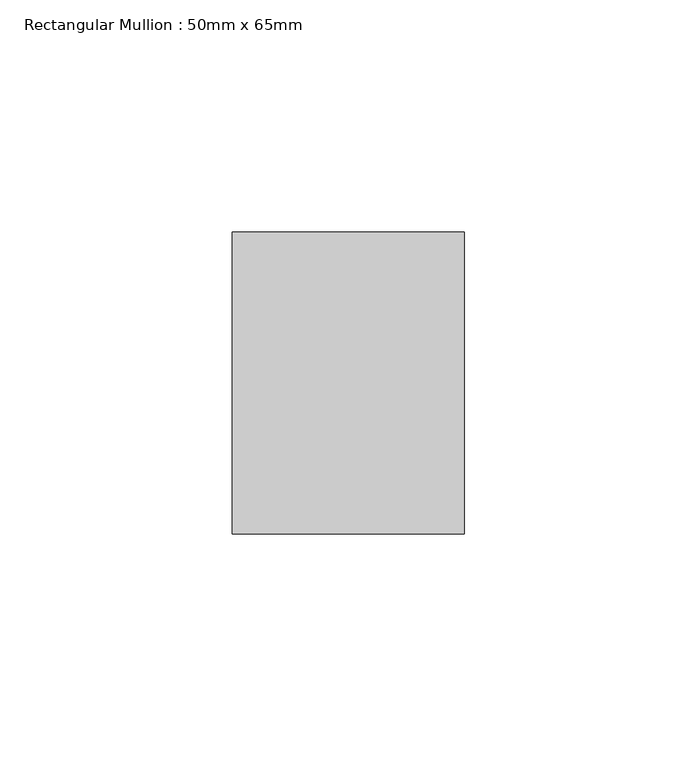
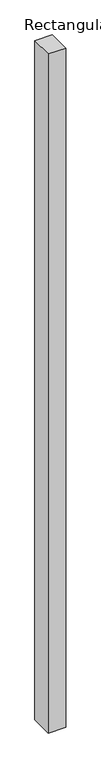
"""IFC4 building model written with IfcOpenShell, lengths in millimetres: member geometry, Rectangular Mullion : 50mm x 65mm."""

from ifc_helpers import new_model, si_unit, frame, origin, place, context, project, spatial, polyline, outline, extrude, source, transform, mapped, element, save


def rectangular_mullion_50mm_x_65mm_ea7b5efb(model_context):
    return source(origin(), model_context, "Body", "SweptSolid", [
        extrude(outline(polyline([(25.0, 32.5), (25.0, -32.5), (-25.0, -32.5), (-25.0, 32.5), (25.0, 32.5)])), frame((0.0, 0.0, -2042.0394772), z_axis=(0.0, 0.0, 1.0), x_axis=(1.0, 0.0, 0.0)), (0.0, 0.0, 1.0), 2042.0394772),
    ])


if __name__ == "__main__":
    model = new_model("IFC4")
    model_context = context("Model", 3, world=origin())
    ifc_project = project(units=[si_unit("LENGTHUNIT", "METRE", prefix="MILLI")], contexts=[model_context])
    site = spatial("IfcSite", under=ifc_project)
    building = spatial("IfcBuilding", under=site)
    placement = place(None, origin())
    rectangular_mullion_50mm_x_65mm_shape = rectangular_mullion_50mm_x_65mm_ea7b5efb(model_context)
    element("IfcMember", 1, ObjectType="Rectangular Mullion : 50mm x 65mm", at=placement, inside=building, context=model_context, shape_type="MappedRepresentation", body=[
        mapped(rectangular_mullion_50mm_x_65mm_shape, transform((0.0, 0.0, 0.0), x_axis=(1.0, 0.0, 0.0), y_axis=(0.0, 1.0, 0.0), z_axis=(0.0, 0.0, 1.0))),
    ])
    save(model, "model.ifc")
